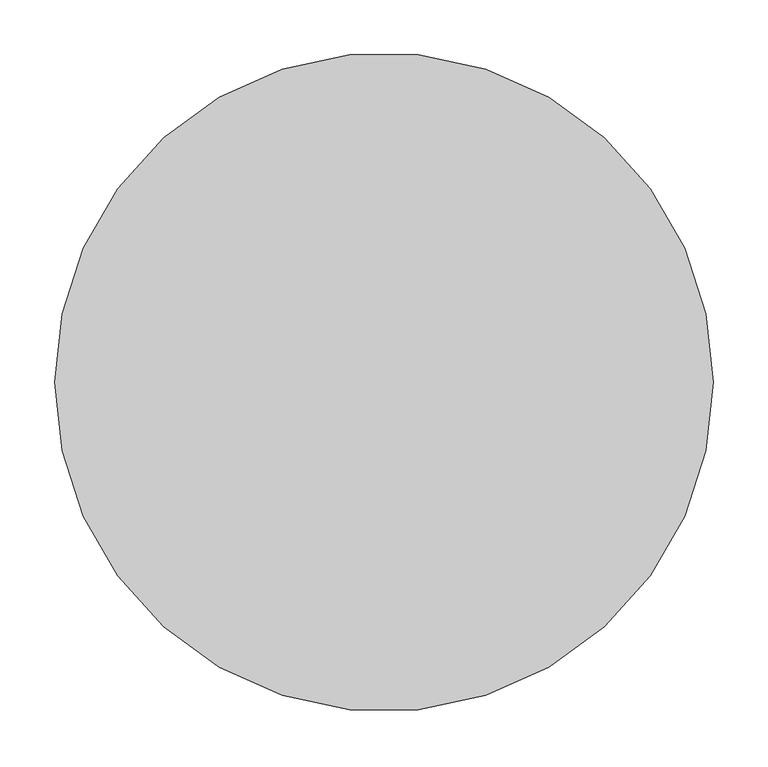
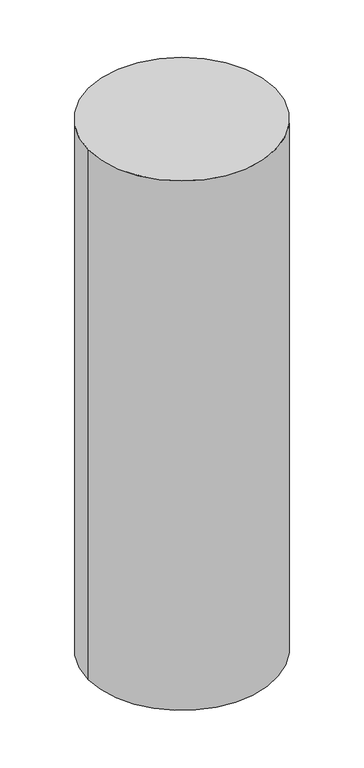
"""IFC4 building model written with IfcOpenShell, lengths in millimetres: proxy geometry."""

from ifc_helpers import new_model, si_unit, point, origin, origin_with_axes, origin_2d, place, context, project, spatial, circle_curve, trimmed, segment, composite_curve, outline, extrude, source, transform, mapped, element, save


def generic_models_17182664(model_context):
    return source(origin(), model_context, "Body", "SweptSolid", [
        extrude(outline(composite_curve([segment(trimmed(circle_curve(origin_2d(), 300.0), [point((-300.0, 0.0))], [point((300.0, 0.0))], False, "CARTESIAN"), True, "CONTINUOUS"), segment(trimmed(circle_curve(origin_2d(), 300.0), [point((300.0, 0.0))], [point((-300.0, 0.0))], False, "CARTESIAN"), True, "CONTINUOUS")], self_intersect=False)), origin_with_axes(), (0.0, 0.0, 1.0), 1800.0),
    ])


if __name__ == "__main__":
    model = new_model("IFC4")
    model_context = context("Model", 3, world=origin())
    ifc_project = project(units=[si_unit("LENGTHUNIT", "METRE", prefix="MILLI")], contexts=[model_context])
    site = spatial("IfcSite", under=ifc_project)
    building = spatial("IfcBuilding", under=site)
    placement = place(None, origin())
    generic_models_shape = generic_models_17182664(model_context)
    element("IfcBuildingElementProxy", 1, Name="Generic Models", at=placement, inside=building, context=model_context, shape_type="MappedRepresentation", body=[
        mapped(generic_models_shape, transform((0.0, 0.0, 0.0), x_axis=(1.0, 0.0, 0.0), y_axis=(0.0, 1.0, 0.0), z_axis=(0.0, 0.0, 1.0))),
    ])
    save(model, "model.ifc")
